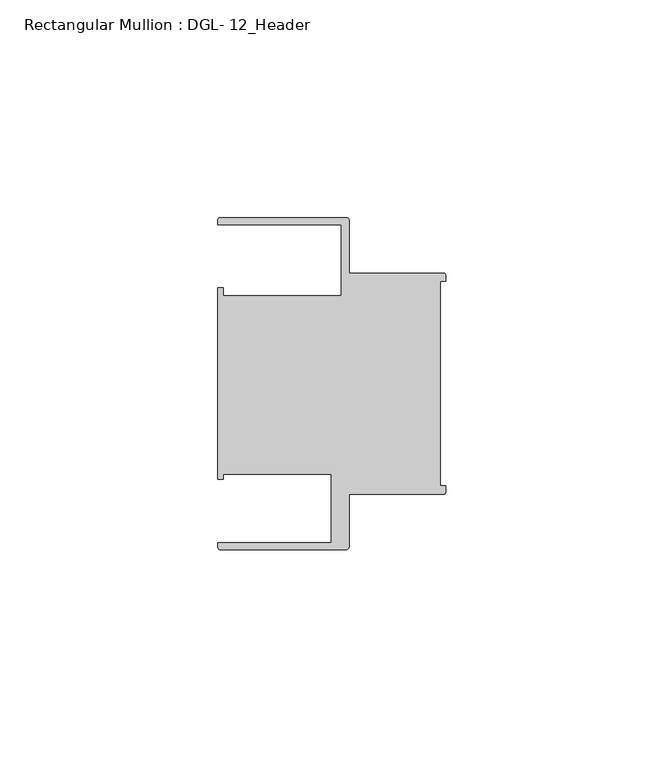
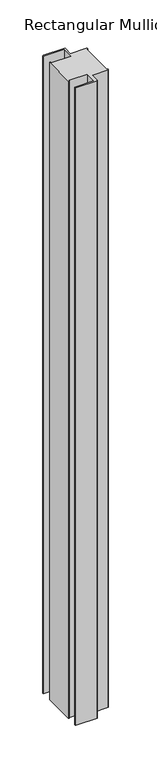
"""IFC4 building model written with IfcOpenShell, lengths in millimetres: member geometry, Rectangular Mullion : DGL- 12_Header."""

import ifcopenshell
import ifcopenshell.guid

model = None  # the IFC model being written
_history = None  # IfcOwnerHistory: only IFC2X3 demands one
_inside = {}  # id of a spatial element -> (the spatial element, [elements in it])
_under = {}  # id of a project, library or spatial element -> (it, [spatial elements below it])
_declared = {}  # id of a project -> (the project, [libraries it declares])
_typed = {}  # id of a type object -> (the type object, [elements of that type])
_made_of = {}  # id of a material, layer set ... -> (it, [elements and type objects made of it])


def new_model(schema):
    """Start an empty IFC model of exactly this schema.

    Asked for "IFC4X3", IfcOpenShell would pick the latest addendum, in which some entities
    have other attributes; the version numbers below select the first issue.
    IFC2X3 requires an IfcOwnerHistory on every rooted entity: one is made here for all.
    """
    global model, _history
    if schema == "IFC4X3":
        model = ifcopenshell.file(schema_version=(4, 3, 0, 0))
    else:
        model = ifcopenshell.file(schema=schema)
    _inside.clear()
    _under.clear()
    _declared.clear()
    _typed.clear()
    _made_of.clear()
    _history = None
    if model.schema == "IFC2X3":
        org = make("IfcOrganization", Name="unknown")
        user = make(
            "IfcPersonAndOrganization",
            ThePerson=make("IfcPerson", FamilyName="unknown"),
            TheOrganization=org,
        )
        app = make(
            "IfcApplication",
            ApplicationDeveloper=org,
            Version="unknown",
            ApplicationFullName="unknown",
            ApplicationIdentifier="unknown",
        )
        _history = make(
            "IfcOwnerHistory",
            OwningUser=user,
            OwningApplication=app,
            ChangeAction="ADDED",
            CreationDate=0,
        )
    return model


def make(cls, **values):
    """One entity of the class cls with the attributes given. An attribute that is None is left unset."""
    return model.create_entity(
        cls, **{name: value for name, value in values.items() if value is not None}
    )


def rooted(cls, **values):
    """An entity with a GlobalId (a new one), such as an element, a storey or a relation."""
    return make(cls, GlobalId=ifcopenshell.guid.new(), OwnerHistory=_history, **values)


def si_unit(unit_type, name, prefix=None):
    """IfcSIUnit, for example si_unit("LENGTHUNIT", "METRE", prefix="MILLI")."""
    return make("IfcSIUnit", UnitType=unit_type, Prefix=prefix, Name=name)


def assignment(units):
    """IfcUnitAssignment: the units of a project."""
    return None if units is None else make("IfcUnitAssignment", Units=units)


def point(xyz):
    """IfcCartesianPoint."""
    return None if xyz is None else make("IfcCartesianPoint", Coordinates=xyz)


def direction(xyz):
    """IfcDirection."""
    return None if xyz is None else make("IfcDirection", DirectionRatios=xyz)


def frame(location, z_axis=None, x_axis=None):
    """IfcAxis2Placement3D, a coordinate frame: its origin and axes. An axis left out is left unset."""
    return make(
        "IfcAxis2Placement3D",
        Location=point(location),
        Axis=direction(z_axis),
        RefDirection=direction(x_axis),
    )


def frame_2d(location, x_axis=None):
    """IfcAxis2Placement2D, a coordinate frame in the plane: its origin and x axis."""
    return make(
        "IfcAxis2Placement2D", Location=point(location), RefDirection=direction(x_axis)
    )


def origin():
    """The frame at (0, 0, 0) with its axes left unset."""
    return frame((0.0, 0.0, 0.0))


def place(relative_to, where):
    """IfcLocalPlacement: puts the frame where relative to a parent placement (None: the world)."""
    return make(
        "IfcLocalPlacement", PlacementRelTo=relative_to, RelativePlacement=where
    )


def context(
    kind, dimensions, precision=None, world=None, true_north=None, identifier=None
):
    """IfcGeometricRepresentationContext, for example the 3D "Model" context."""
    return make(
        "IfcGeometricRepresentationContext",
        ContextIdentifier=identifier,
        ContextType=kind,
        CoordinateSpaceDimension=dimensions,
        Precision=precision,
        WorldCoordinateSystem=world,
        TrueNorth=true_north,
    )


def project(units=None, contexts=None):
    """IfcProject with its units and contexts."""
    return rooted(
        "IfcProject",
        Name="project",
        RepresentationContexts=contexts,
        UnitsInContext=assignment(units),
    )


def spatial(cls, under=None, at=None, **own):
    """A site, building, storey or space (cls), placed at a placement, below another one or the project."""
    s = rooted(cls, ObjectPlacement=at, **own)
    if under is not None:
        _under.setdefault(under.id(), (under, []))[1].append(s)
    return s


def polyline(points):
    """IfcPolyline through the points."""
    return make("IfcPolyline", Points=[point(p) for p in points])


def circle_curve(where, radius):
    """IfcCircle in the frame where."""
    return make("IfcCircle", Position=where, Radius=radius)


def trimmed(basis, trim1, trim2, sense, master):
    """IfcTrimmedCurve: the piece of a basis curve between two trims."""
    return make(
        "IfcTrimmedCurve",
        BasisCurve=basis,
        Trim1=trim1,
        Trim2=trim2,
        SenseAgreement=sense,
        MasterRepresentation=master,
    )


def segment(curve, same_sense, transition):
    """IfcCompositeCurveSegment."""
    return make(
        "IfcCompositeCurveSegment",
        Transition=transition,
        SameSense=same_sense,
        ParentCurve=curve,
    )


def composite_curve(segments, self_intersect=None):
    """IfcCompositeCurve: segments joined end to end."""
    return make("IfcCompositeCurve", Segments=segments, SelfIntersect=self_intersect)


def outline(outer, holes=None, kind="AREA"):
    """IfcArbitraryClosedProfileDef: a profile drawn as a closed curve; with holes, ...WithVoids."""
    if holes is None:
        return make("IfcArbitraryClosedProfileDef", ProfileType=kind, OuterCurve=outer)
    return make(
        "IfcArbitraryProfileDefWithVoids",
        ProfileType=kind,
        OuterCurve=outer,
        InnerCurves=holes,
    )


def extrude(swept, where, along, depth):
    """IfcExtrudedAreaSolid: the profile swept, set in the frame where, extruded along a direction by depth."""
    return make(
        "IfcExtrudedAreaSolid",
        SweptArea=swept,
        Position=where,
        ExtrudedDirection=direction(along),
        Depth=depth,
    )


def shape(context_of_items, identifier, shape_type, items):
    """IfcShapeRepresentation: the items that make up one representation, for example the "Body"."""
    return make(
        "IfcShapeRepresentation",
        ContextOfItems=context_of_items,
        RepresentationIdentifier=identifier,
        RepresentationType=shape_type,
        Items=items,
    )


def source(mapping_origin, context_of_items, identifier, shape_type, items):
    """IfcRepresentationMap: a shape defined once, which mapped items show again and again."""
    return make(
        "IfcRepresentationMap",
        MappingOrigin=mapping_origin,
        MappedRepresentation=shape(context_of_items, identifier, shape_type, items),
    )


def transform(
    local_origin,
    x_axis=None,
    y_axis=None,
    z_axis=None,
    scale=None,
    scale2=None,
    scale3=None,
    uniform=True,
):
    """IfcCartesianTransformationOperator3D, or its non-uniform kind. x_axis, y_axis, z_axis: its Axis1, 2, 3."""
    if uniform:
        return make(
            "IfcCartesianTransformationOperator3D",
            Axis1=direction(x_axis),
            Axis2=direction(y_axis),
            LocalOrigin=point(local_origin),
            Scale=scale,
            Axis3=direction(z_axis),
        )
    return make(
        "IfcCartesianTransformationOperator3DnonUniform",
        Axis1=direction(x_axis),
        Axis2=direction(y_axis),
        LocalOrigin=point(local_origin),
        Scale=scale,
        Axis3=direction(z_axis),
        Scale2=scale2,
        Scale3=scale3,
    )


def mapped(mapping_source, mapping_target):
    """IfcMappedItem: shows the shape of a source again, moved by a transform."""
    return make(
        "IfcMappedItem", MappingSource=mapping_source, MappingTarget=mapping_target
    )


def made_of(thing, what):
    """Note that an element or type object is made of a material, layer set ...; save() writes the relation."""
    if what is not None:
        _made_of.setdefault(what.id(), (what, []))[1].append(thing)
    return thing


def element(
    cls,
    number,
    at=None,
    inside=None,
    cuts=None,
    type_object=None,
    material=None,
    context=None,
    identifier="Body",
    shape_type=None,
    held_by="IfcProductDefinitionShape",
    body=None,
    shapes=None,
    **own,
):
    """One element of the class cls, such as IfcWall. Its Tag is "e" and its number.

    at: its placement. inside: the storey or other place that contains it. cuts: it is an
    opening in that element (IfcRelVoidsElement). A single representation is given by context,
    identifier, shape_type and body (its items); several are given by shapes. held_by: the class
    of the entity that holds the representations. save() writes the other relations.
    """
    e = rooted(cls, Tag="e%d" % number, ObjectPlacement=at, **own)
    if body is not None:
        shapes = [shape(context, identifier, shape_type, body)]
    if shapes is not None:
        e.Representation = make(held_by, Representations=shapes)
    if inside is not None:
        _inside.setdefault(inside.id(), (inside, []))[1].append(e)
    if cuts is not None:
        rooted(
            "IfcRelVoidsElement", RelatingBuildingElement=cuts, RelatedOpeningElement=e
        )
    if type_object is not None:
        _typed.setdefault(type_object.id(), (type_object, []))[1].append(e)
    return made_of(e, material)


def aggregate(whole, parts):
    """IfcRelAggregates: a whole, such as a stair, and the parts it consists of."""
    return rooted("IfcRelAggregates", RelatingObject=whole, RelatedObjects=parts)


def save(model, path):
    """Write the relations noted so far, then the file.

    IfcRelAggregates (storeys below a building ...), IfcRelContainedInSpatialStructure (elements
    in a storey), IfcRelDefinesByType, IfcRelAssociatesMaterial and IfcRelDeclares: one each for
    every whole, place, type object, material and project.
    """
    for whole, parts in _under.values():
        aggregate(whole, parts)
    for where, things in _inside.values():
        rooted(
            "IfcRelContainedInSpatialStructure",
            RelatedElements=things,
            RelatingStructure=where,
        )
    for kind, things in _typed.values():
        rooted("IfcRelDefinesByType", RelatedObjects=things, RelatingType=kind)
    for what, things in _made_of.values():
        rooted("IfcRelAssociatesMaterial", RelatedObjects=things, RelatingMaterial=what)
    for by, libraries in _declared.values():
        rooted("IfcRelDeclares", RelatingContext=by, RelatedDefinitions=libraries)
    model.write(path)


def rectangular_mullion_dgl_12_header_3aed72ca(model_context):
    return source(origin(), model_context, "Body", "SweptSolid", [
        extrude(outline(composite_curve([segment(trimmed(circle_curve(frame_2d((-0.5953125, 24.8046875)), 0.5953125), [point((-0.5953125, 25.4))], [point((0.0, 24.8046875))], False, "CARTESIAN"), True, "CONTINUOUS"), segment(polyline([(0.0, 24.8046875), (0.0, 23.4882401), (-1.30175, 23.4882401), (-1.30175, -23.4882401), (0.0, -23.4882401), (0.0, -24.8046875)]), True, "CONTINUOUS"), segment(trimmed(circle_curve(frame_2d((-0.5953125, -24.8046875)), 0.5953125), [point((0.0, -24.8046875))], [point((-0.5953125, -25.4))], False, "CARTESIAN"), True, "CONTINUOUS"), segment(polyline([(-0.5953125, -25.4), (-22.2332076, -25.4), (-22.2332076, -37.5047035)]), True, "CONTINUOUS"), segment(trimmed(circle_curve(frame_2d((-22.8285201, -37.5047035)), 0.5953125), [point((-22.2332076, -37.5047035))], [point((-22.8285201, -38.100016))], False, "CARTESIAN"), True, "CONTINUOUS"), segment(polyline([(-22.8285201, -38.100016), (-51.7968699, -38.100016)]), True, "CONTINUOUS"), segment(trimmed(circle_curve(frame_2d((-51.7968699, -37.5047035)), 0.5953125), [point((-51.7968699, -38.100016))], [point((-52.3921824, -37.5047035))], False, "CARTESIAN"), True, "CONTINUOUS"), segment(polyline([(-52.3921824, -37.5047035), (-52.3921824, -36.512516), (-26.3720794, -36.512516), (-26.3720794, -20.8257348), (-51.1280305, -20.8257348), (-51.1280305, -21.9710976), (-52.3948122, -21.9710976), (-52.3948122, 21.9710976), (-51.1280305, 21.9710976), (-51.1280305, 20.1823589), (-24.0747075, 20.1823589), (-24.0747075, 36.5123462), (-52.3921824, 36.5123462), (-52.3921824, 37.5043667)]), True, "CONTINUOUS"), segment(trimmed(circle_curve(frame_2d((-51.7968699, 37.5043667)), 0.5953125), [point((-52.3921824, 37.5043667))], [point((-51.7968699, 38.0996792))], False, "CARTESIAN"), True, "CONTINUOUS"), segment(polyline([(-51.7968699, 38.0996792), (-22.8285201, 38.0996792)]), True, "CONTINUOUS"), segment(trimmed(circle_curve(frame_2d((-22.8285201, 37.5043667)), 0.5953125), [point((-22.8285201, 38.0996792))], [point((-22.2332076, 37.5043667))], False, "CARTESIAN"), True, "CONTINUOUS"), segment(polyline([(-22.2332076, 37.5043667), (-22.2332076, 25.4), (-0.5953125, 25.4)]), True, "CONTINUOUS")], self_intersect=False)), frame((0.0, 0.0, -910.9263895), z_axis=(0.0, 0.0, 1.0), x_axis=(1.0, 0.0, 0.0)), (0.0, 0.0, 1.0), 910.9263895),
    ])


if __name__ == "__main__":
    model = new_model("IFC4")
    model_context = context("Model", 3, world=origin())
    ifc_project = project(units=[si_unit("LENGTHUNIT", "METRE", prefix="MILLI")], contexts=[model_context])
    site = spatial("IfcSite", under=ifc_project)
    building = spatial("IfcBuilding", under=site)
    placement = place(None, origin())
    rectangular_mullion_dgl_12_header_shape = rectangular_mullion_dgl_12_header_3aed72ca(model_context)
    element("IfcMember", 1, ObjectType="Rectangular Mullion : DGL- 12_Header", at=placement, inside=building, context=model_context, shape_type="MappedRepresentation", body=[
        mapped(rectangular_mullion_dgl_12_header_shape, transform((0.0, 0.0, 0.0), x_axis=(1.0, 0.0, 0.0), y_axis=(0.0, 1.0, 0.0), z_axis=(0.0, 0.0, 1.0))),
    ])
    save(model, "model.ifc")
